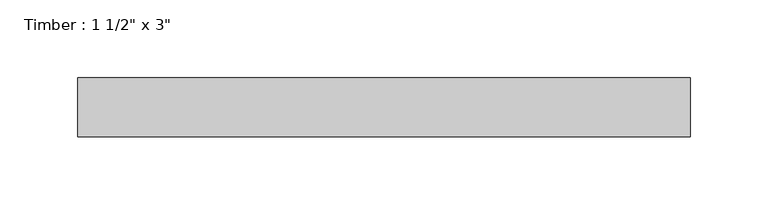
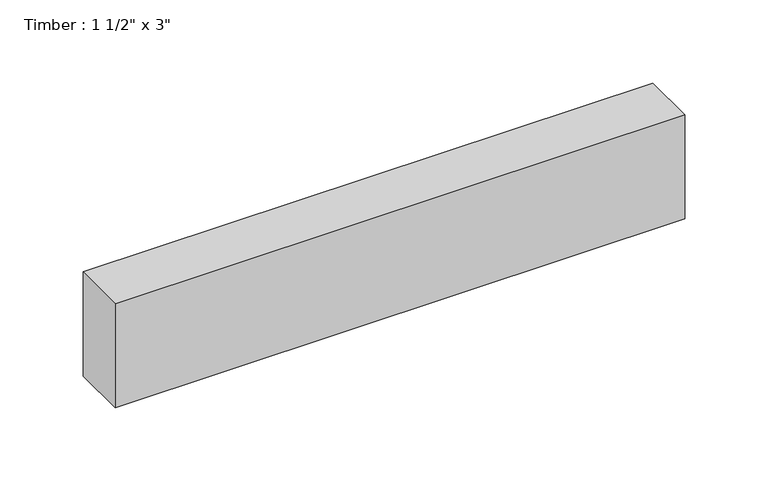
"""IFC4 building model written with IfcOpenShell, lengths in millimetres: beam geometry."""

from ifc_helpers import new_model, si_unit, frame, origin, place, context, project, spatial, polyline, outline, extrude, source, transform, mapped, element, save


def beam_2ad1ee31(model_context):
    return source(origin(), model_context, "Body", "SweptSolid", [
        extrude(outline(polyline([(197.2207039, 19.05), (197.2207039, -19.05), (-197.2207039, -19.05), (-197.2207039, 19.05), (197.2207039, 19.05)])), frame((0.0, 0.0, -38.1), z_axis=(0.0, 0.0, 1.0), x_axis=(1.0, 0.0, 0.0)), (0.0, 0.0, 1.0), 76.2),
    ])


if __name__ == "__main__":
    model = new_model("IFC4")
    model_context = context("Model", 3, world=origin())
    ifc_project = project(units=[si_unit("LENGTHUNIT", "METRE", prefix="MILLI")], contexts=[model_context])
    site = spatial("IfcSite", under=ifc_project)
    building = spatial("IfcBuilding", under=site)
    placement = place(None, origin())
    beam_shape = beam_2ad1ee31(model_context)
    element("IfcBeam", 1, ObjectType="Timber : 1 1/2\" x 3\"", at=placement, inside=building, context=model_context, shape_type="MappedRepresentation", body=[
        mapped(beam_shape, transform((0.0, 0.0, 0.0), x_axis=(1.0, 0.0, 0.0), y_axis=(0.0, 1.0, 0.0), z_axis=(0.0, 0.0, 1.0))),
    ])
    save(model, "model.ifc")
